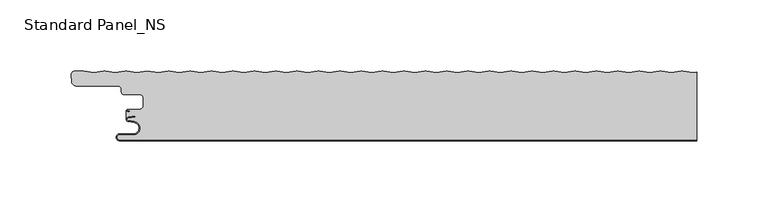
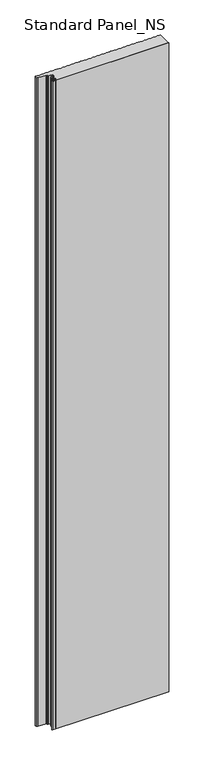
"""IFC4 building model written with IfcOpenShell, lengths in millimetres: proxy geometry, Standard Panel_NS."""

from ifc_helpers import new_model, si_unit, point, frame, frame_2d, origin, origin_with_axes, place, context, project, spatial, polyline, circle_curve, trimmed, segment, composite_curve, outline, extrude, source, transform, mapped, element, save
from ifc_brep_helpers import plane_surface, cylinder_surface, revolved_surface, advanced_brep


def standard_panel_ns_0bc52627(model_context):
    return source(origin(), model_context, "Body", "SolidModel", [
        advanced_brep(
        [(200.9757266, 48.2307297, 2400.0), (193.9420689, 49.1685508, 2400.0), (192.9889019, 49.1685508, 2400.0), (185.9552442, 48.2307297, 2400.0), (178.9215864, 49.1685508, 2400.0), (177.9684195, 49.1685508, 2400.0), (170.9347618, 48.2307297, 2400.0), (163.901104, 49.1685508, 2400.0), (162.9479371, 49.1685508, 2400.0), (155.9142793, 48.2307297, 2400.0), (148.8806215, 49.1685508, 2400.0), (147.9274546, 49.1685508, 2400.0), (140.8937969, 48.2307297, 2400.0), (133.8601391, 49.1685508, 2400.0), (132.9069722, 49.1685508, 2400.0), (125.8733144, 48.2307297, 2400.0), (118.8396566, 49.1685508, 2400.0), (117.8864897, 49.1685508, 2400.0), (110.852832, 48.2307297, 2400.0), (103.8191742, 49.1685508, 2400.0), (102.8660073, 49.1685508, 2400.0), (95.8323495, 48.2307297, 2400.0), (88.7986918, 49.1685508, 2400.0), (87.8455248, 49.1685508, 2400.0), (80.8118671, 48.2307297, 2400.0), (73.7782093, 49.1685508, 2400.0), (72.8250424, 49.1685508, 2400.0), (65.7913846, 48.2307297, 2400.0), (58.7577269, 49.1685508, 2400.0), (57.80456, 49.1685508, 2400.0), (50.7709022, 48.2307297, 2400.0), (43.7372444, 49.1685508, 2400.0), (42.7840775, 49.1685508, 2400.0), (35.7504198, 48.2307297, 2400.0), (28.716762, 49.1685508, 2400.0), (27.7635951, 49.1685508, 2400.0), (20.7299373, 48.2307297, 2400.0), (13.6962795, 49.1685508, 2400.0), (12.7431126, 49.1685508, 2400.0), (5.7094549, 48.2307297, 2400.0), (-1.3242029, 49.1685508, 2400.0), (-2.2773698, 49.1685508, 2400.0), (-9.3110276, 48.2307297, 2400.0), (-16.3446854, 49.1685508, 2400.0), (-17.2978523, 49.1685508, 2400.0), (-24.33151, 48.2307297, 2400.0), (-31.3651678, 49.1685508, 2400.0), (-32.3183347, 49.1685508, 2400.0), (-39.3519925, 48.2307297, 2400.0), (-46.3856502, 49.1685508, 2400.0), (-47.3388172, 49.1685508, 2400.0), (-54.3724749, 48.2307297, 2400.0), (-61.4061327, 49.1685508, 2400.0), (-62.3592996, 49.1685508, 2400.0), (-69.3929573, 48.2307297, 2400.0), (-76.4266151, 49.1685508, 2400.0), (-77.379782, 49.1685508, 2400.0), (-84.4134398, 48.2307297, 2400.0), (-91.4470976, 49.1685508, 2400.0), (-92.4002645, 49.1685508, 2400.0), (-99.4339222, 48.2307297, 2400.0), (-106.46758, 49.1685508, 2400.0), (-107.4207469, 49.1685508, 2400.0), (-114.4544047, 48.2307297, 2400.0), (-121.4880625, 49.1685508, 2400.0), (-122.4412294, 49.1685508, 2400.0), (-129.4748871, 48.2307297, 2400.0), (-136.5085449, 49.1685508, 2400.0), (-137.4617118, 49.1685508, 2400.0), (-144.4953696, 48.2307297, 2400.0), (-151.5290274, 49.1685508, 2400.0), (-152.4821943, 49.1685508, 2400.0), (-159.515852, 48.2307297, 2400.0), (-166.5495098, 49.1685508, 2400.0), (-167.5026767, 49.1685508, 2400.0), (-174.5363345, 48.2307297, 2400.0), (-182.0465757, 49.2320952, 2400.0), (-189.5568169, 48.2307297, 2400.0), (-196.5904747, 49.1685508, 2400.0), (-197.5436416, 49.1685508, 2400.0), (-204.5772994, 48.2307297, 2400.0), (-211.6109571, 49.1685508, 2400.0), (-212.564124, 49.1685508, 2400.0), (-219.5977818, 48.2307297, 2400.0), (-226.8685673, 49.2001678, 2400.0), (-232.8591806, 49.2001678, 2400.0), (-235.6090836, 46.199151, 2400.0), (-235.1937635, 41.4524611, 2400.0), (-232.3045986, 38.8050506, 2400.0), (-202.67533, 38.8050506, 2400.0), (-200.2755261, 36.4052467, 2400.0), (-200.2755261, 34.4052467, 2400.0), (-198.67533, 32.8050506, 2400.0), (-188.0058392, 32.8050506, 2400.0), (-184.8560353, 29.6552467, 2400.0), (-184.8560353, 25.2552452, 2400.0), (-188.0058392, 22.1054412, 2400.0), (-195.7650669, 22.1054413, 2400.0), (-195.7650669, 21.3050506, 2400.0), (-194.3950677, 21.3050506, 2400.0), (-194.3950677, 20.5050506, 2400.0), (-195.7650669, 20.5050506, 2400.0), (-196.9042057, 21.327315, 2400.0), (-196.9042607, 15.3042944, 2400.0), (-195.529422, 16.8616061, 2400.0), (-190.6052947, 17.5608112, 2400.0), (-190.4928263, 16.7687564, 2400.0), (-195.4169535, 16.0695512, 2400.0), (-195.4434036, 14.4896502, 2400.0), (-191.1186374, 13.7270772, 2400.0), (-191.9521486, 4.2, 2400.0), (-201.4521486, 4.2, 2400.0), (-201.4521486, 0.8, 2400.0), (203.9042607, 0.8, 2400.0), (203.9042607, 48.621201, 2400.0), (-196.9042057, 21.327315, 0.0), (-195.7650669, 20.5050506, 0.0), (-194.3950677, 20.5050506, 0.0), (-194.3950677, 21.3050506, 0.0), (-195.7650669, 21.3050506, 0.0), (-195.7650669, 22.1054413, 0.0), (-188.0058392, 22.1054413, 0.0), (-184.8560353, 25.2552452, 0.0), (-184.8560353, 29.6552467, 0.0), (-188.0058392, 32.8050506, 0.0), (-198.67533, 32.8050506, 0.0), (-200.2755261, 34.4052467, 0.0), (-200.2755261, 36.4052467, 0.0), (-202.67533, 38.8050506, 0.0), (-232.3045986, 38.8050506, 0.0), (-235.1937635, 41.4524611, 0.0), (-235.6090836, 46.199151, 0.0), (-232.8591806, 49.2001678, 0.0), (-226.8685673, 49.2001678, 0.0), (-219.5977818, 48.2307297, 0.0), (-212.564124, 49.1685508, 0.0), (-211.6109571, 49.1685508, 0.0), (-204.5772994, 48.2307297, 0.0), (-197.5436416, 49.1685508, 0.0), (-196.5904747, 49.1685508, 0.0), (-189.5568169, 48.2307297, 0.0), (-182.0465757, 49.2320952, 0.0), (-174.5363345, 48.2307297, 0.0), (-167.5026767, 49.1685508, 0.0), (-166.5495098, 49.1685508, 0.0), (-159.515852, 48.2307297, 0.0), (-152.4821943, 49.1685508, 0.0), (-151.5290274, 49.1685508, 0.0), (-144.4953696, 48.2307297, 0.0), (-137.4617118, 49.1685508, 0.0), (-136.5085449, 49.1685508, 0.0), (-129.4748871, 48.2307297, 0.0), (-122.4412294, 49.1685508, 0.0), (-121.4880625, 49.1685508, 0.0), (-114.4544047, 48.2307297, 0.0), (-107.4207469, 49.1685508, 0.0), (-106.46758, 49.1685508, 0.0), (-99.4339222, 48.2307297, 0.0), (-92.4002645, 49.1685508, 0.0), (-91.4470976, 49.1685508, 0.0), (-84.4134398, 48.2307297, 0.0), (-77.379782, 49.1685508, 0.0), (-76.4266151, 49.1685508, 0.0), (-69.3929573, 48.2307297, 0.0), (-62.3592996, 49.1685508, 0.0), (-61.4061327, 49.1685508, 0.0), (-54.3724749, 48.2307297, 0.0), (-47.3388172, 49.1685508, 0.0), (-46.3856502, 49.1685508, 0.0), (-39.3519925, 48.2307297, 0.0), (-32.3183347, 49.1685508, 0.0), (-31.3651678, 49.1685508, 0.0), (-24.33151, 48.2307297, 0.0), (-17.2978523, 49.1685508, 0.0), (-16.3446854, 49.1685508, 0.0), (-9.3110276, 48.2307297, 0.0), (-2.2773698, 49.1685508, 0.0), (-1.3242029, 49.1685508, 0.0), (5.7094549, 48.2307297, 0.0), (12.7431126, 49.1685508, 0.0), (13.6962795, 49.1685508, 0.0), (20.7299373, 48.2307297, 0.0), (27.7635951, 49.1685508, 0.0), (28.716762, 49.1685508, 0.0), (35.7504198, 48.2307297, 0.0), (42.7840775, 49.1685508, 0.0), (43.7372444, 49.1685508, 0.0), (50.7709022, 48.2307297, 0.0), (57.80456, 49.1685508, 0.0), (58.7577269, 49.1685508, 0.0), (65.7913846, 48.2307297, 0.0), (72.8250424, 49.1685508, 0.0), (73.7782093, 49.1685508, 0.0), (80.8118671, 48.2307297, 0.0), (87.8455248, 49.1685508, 0.0), (88.7986918, 49.1685508, 0.0), (95.8323495, 48.2307297, 0.0), (102.8660073, 49.1685508, 0.0), (103.8191742, 49.1685508, 0.0), (110.852832, 48.2307297, 0.0), (117.8864897, 49.1685508, 0.0), (118.8396566, 49.1685508, 0.0), (125.8733144, 48.2307297, 0.0), (132.9069722, 49.1685508, 0.0), (133.8601391, 49.1685508, 0.0), (140.8937969, 48.2307297, 0.0), (147.9274546, 49.1685508, 0.0), (148.8806215, 49.1685508, 0.0), (155.9142793, 48.2307297, 0.0), (162.9479371, 49.1685508, 0.0), (163.901104, 49.1685508, 0.0), (170.9347618, 48.2307297, 0.0), (177.9684195, 49.1685508, 0.0), (178.9215864, 49.1685508, 0.0), (185.9552442, 48.2307297, 0.0), (192.9889019, 49.1685508, 0.0), (193.9420689, 49.1685508, 0.0), (200.9757266, 48.2307297, 0.0), (203.9042607, 48.621201, 0.0), (203.9042607, 0.8, 0.0), (-201.4521486, 0.8, 0.0), (-201.4521486, 4.2, 0.0), (-191.9521486, 4.2, 0.0), (-191.1186374, 13.7270772, 0.0), (-195.4434036, 14.4896502, 0.0), (-195.4169535, 16.0695512, 0.0), (-190.4928263, 16.7687564, 0.0), (-190.6052947, 17.5608112, 0.0), (-195.529422, 16.8616061, 0.0), (-196.9042607, 15.3042944, 0.0)],
        [
            (0, 1),
            (1, 2, circle_curve(frame((193.4654854, 45.5941749, 2400.0), z_axis=(0.0, 0.0, 1.0), x_axis=(-0.1321637206908363, 0.991227900602659, 0.0)), 3.6060082)),
            (2, 3),
            (3, 4),
            (4, 5, circle_curve(frame((178.445003, 45.5941749, 2400.0), z_axis=(0.0, 0.0, 1.0), x_axis=(-0.13216372067834242, 0.9912279006043248, 0.0)), 3.6060082)),
            (5, 6),
            (6, 7),
            (7, 8, circle_curve(frame((163.4245205, 45.5941749, 2400.0), z_axis=(0.0, 0.0, 1.0), x_axis=(-0.1321637206908359, 0.991227900602659, 0.0)), 3.6060082)),
            (8, 9),
            (9, 10),
            (10, 11, circle_curve(frame((148.4040381, 45.5941749, 2400.0), z_axis=(0.0, 0.0, 1.0), x_axis=(-0.1321637206909443, 0.9912279006026445, 0.0)), 3.6060082)),
            (11, 12),
            (12, 13),
            (13, 14, circle_curve(frame((133.3835556, 45.5941749, 2400.0), z_axis=(0.0, 0.0, 1.0), x_axis=(-0.13216372067834242, 0.9912279006043248, 0.0)), 3.6060082)),
            (14, 15),
            (15, 16),
            (16, 17, circle_curve(frame((118.3630732, 45.5941749, 2400.0), z_axis=(0.0, 0.0, 1.0), x_axis=(-0.13216372069094426, 0.9912279006026445, 0.0)), 3.6060082)),
            (17, 18),
            (18, 19),
            (19, 20, circle_curve(frame((103.3425907, 45.5941749, 2400.0), z_axis=(0.0, 0.0, 1.0), x_axis=(-0.1321637206908359, 0.991227900602659, 0.0)), 3.6060082)),
            (20, 21),
            (21, 22),
            (22, 23, circle_curve(frame((88.3221083, 45.5941749, 2400.0), z_axis=(0.0, 0.0, 1.0), x_axis=(-0.13216372067834242, 0.9912279006043248, 0.0)), 3.6060082)),
            (23, 24),
            (24, 25),
            (25, 26, circle_curve(frame((73.3016259, 45.5941749, 2400.0), z_axis=(0.0, 0.0, 1.0), x_axis=(-0.1321637206909443, 0.9912279006026445, 0.0)), 3.6060082)),
            (26, 27),
            (27, 28),
            (28, 29, circle_curve(frame((58.2811434, 45.5941749, 2400.0), z_axis=(0.0, 0.0, 1.0), x_axis=(-0.13216372067834242, 0.9912279006043249, 0.0)), 3.6060082)),
            (29, 30),
            (30, 31),
            (31, 32, circle_curve(frame((43.260661, 45.5941749, 2400.0), z_axis=(0.0, 0.0, 1.0), x_axis=(-0.1321637206909443, 0.9912279006026445, 0.0)), 3.6060082)),
            (32, 33),
            (33, 34),
            (34, 35, circle_curve(frame((28.2401785, 45.5941749, 2400.0), z_axis=(0.0, 0.0, 1.0), x_axis=(-0.13216372069083632, 0.991227900602659, 0.0)), 3.6060082)),
            (35, 36),
            (36, 37),
            (37, 38, circle_curve(frame((13.2196961, 45.5941749, 2400.0), z_axis=(0.0, 0.0, 1.0), x_axis=(-0.13216372067834242, 0.9912279006043248, 0.0)), 3.6060082)),
            (38, 39),
            (39, 40),
            (40, 41, circle_curve(frame((-1.8007864, 45.5941749, 2400.0), z_axis=(0.0, 0.0, 1.0), x_axis=(-0.13216372067834242, 0.9912279006043249, 0.0)), 3.6060082)),
            (41, 42),
            (42, 43),
            (43, 44, circle_curve(frame((-16.8212688, 45.5941749, 2400.0), z_axis=(0.0, 0.0, 1.0), x_axis=(-0.13216372067834242, 0.9912279006043249, 0.0)), 3.6060082)),
            (44, 45),
            (45, 46),
            (46, 47, circle_curve(frame((-31.8417513, 45.5941749, 2400.0), z_axis=(0.0, 0.0, 1.0), x_axis=(-0.13216372069083587, 0.991227900602659, 0.0)), 3.6060082)),
            (47, 48),
            (48, 49),
            (49, 50, circle_curve(frame((-46.8622337, 45.5941749, 2400.0), z_axis=(0.0, 0.0, 1.0), x_axis=(-0.13216372067834242, 0.9912279006043249, 0.0)), 3.6060082)),
            (50, 51),
            (51, 52),
            (52, 53, circle_curve(frame((-61.8827161, 45.5941749, 2400.0), z_axis=(0.0, 0.0, 1.0), x_axis=(-0.13216372067834242, 0.9912279006043248, 0.0)), 3.6060082)),
            (53, 54),
            (54, 55),
            (55, 56, circle_curve(frame((-76.9031986, 45.5941749, 2400.0), z_axis=(0.0, 0.0, 1.0), x_axis=(-0.13216372067834242, 0.9912279006043248, 0.0)), 3.6060082)),
            (56, 57),
            (57, 58),
            (58, 59, circle_curve(frame((-91.923681, 45.5941749, 2400.0), z_axis=(0.0, 0.0, 1.0), x_axis=(-0.1321637206909443, 0.9912279006026445, 0.0)), 3.6060082)),
            (59, 60),
            (60, 61),
            (61, 62, circle_curve(frame((-106.9441635, 45.5941749, 2400.0), z_axis=(0.0, 0.0, 1.0), x_axis=(-0.13216372069083587, 0.991227900602659, 0.0)), 3.6060082)),
            (62, 63),
            (63, 64),
            (64, 65, circle_curve(frame((-121.9646459, 45.5941749, 2400.0), z_axis=(0.0, 0.0, 1.0), x_axis=(-0.13216372067834242, 0.9912279006043248, 0.0)), 3.6060082)),
            (65, 66),
            (66, 67),
            (67, 68, circle_curve(frame((-136.9851284, 45.5941749, 2400.0), z_axis=(0.0, 0.0, 1.0), x_axis=(-0.13216372069083632, 0.991227900602659, 0.0)), 3.6060082)),
            (68, 69),
            (69, 70),
            (70, 71, circle_curve(frame((-152.0056108, 45.5941749, 2400.0), z_axis=(0.0, 0.0, 1.0), x_axis=(-0.13216372067834242, 0.9912279006043248, 0.0)), 3.6060082)),
            (71, 72),
            (72, 73),
            (73, 74, circle_curve(frame((-167.0260933, 45.5941749, 2400.0), z_axis=(0.0, 0.0, 1.0), x_axis=(-0.13216372069094426, 0.9912279006026445, 0.0)), 3.6060082)),
            (74, 75),
            (75, 76),
            (76, 77),
            (77, 78),
            (78, 79, circle_curve(frame((-197.0670581, 45.5941749, 2400.0), z_axis=(0.0, 0.0, 1.0), x_axis=(-0.13216372008395674, 0.9912279006835761, 0.0)), 3.6060082)),
            (79, 80),
            (80, 81),
            (81, 82, circle_curve(frame((-212.0875406, 45.5941749, 2400.0), z_axis=(0.0, 0.0, 1.0), x_axis=(-0.1321637200962343, 0.9912279006819392, 0.0)), 3.6060082)),
            (82, 83),
            (83, 84),
            (84, 85),
            (85, 86, circle_curve(frame((-232.8591806, 46.4397587, 2400.0), z_axis=(0.0, 0.0, 1.0), x_axis=(-0.9961854900933174, -0.08726092669423802, 0.0)), 2.7604092)),
            (86, 87),
            (87, 88, circle_curve(frame((-232.3045986, 41.7052538, 2400.0), z_axis=(0.0, 0.0, 1.0), x_axis=(-5.9816804069483736e-05, -0.9999999982109751, 0.0)), 2.9002032)),
            (88, 89),
            (89, 90, circle_curve(frame((-202.67533, 36.4052467, 2400.0), z_axis=(0.0, 0.0, -1.0), x_axis=(0.9999999926057013, 0.00012160837719944603, 0.0)), 2.3998039)),
            (90, 91),
            (91, 92, circle_curve(frame((-198.67533, 34.4052467, 2400.0), z_axis=(0.0, 0.0, 1.0), x_axis=(-8.105569453527465e-05, -0.9999999967149873, 0.0)), 1.6001961)),
            (92, 93),
            (93, 94, circle_curve(frame((-188.0058392, 29.6552467, 2400.0), z_axis=(0.0, 0.0, -1.0), x_axis=(0.9999999965725804, 8.27939563282879e-05, 0.0)), 3.1498039)),
            (94, 95),
            (95, 96, circle_curve(frame((-188.0058392, 25.2552452, 2400.0), z_axis=(0.0, 0.0, -1.0), x_axis=(-8.279395323838365e-05, -0.9999999965725807, 0.0)), 3.1498039)),
            (96, 97),
            (97, 98, circle_curve(frame((-195.7650669, 21.7052459, 2400.0), z_axis=(0.0, 0.0, 1.0), x_axis=(0.0, -1.0, 0.0)), 0.4001953)),
            (98, 99),
            (99, 100),
            (100, 101),
            (101, 102, circle_curve(frame((-195.7650669, 21.7052459, 2400.0), z_axis=(0.0, 0.0, -1.0), x_axis=(0.0, -1.0, 0.0)), 1.2001953)),
            (102, 103),
            (103, 104, circle_curve(frame((-195.3044851, 15.2774964, 2400.0), z_axis=(0.0, 0.0, -1.0), x_axis=(-0.17364817766971952, -0.9848077530117163, 0.0)), 1.6)),
            (104, 105),
            (105, 106),
            (106, 107),
            (107, 108, circle_curve(frame((-195.3044851, 15.2774964, 2400.0), z_axis=(0.0, 0.0, 1.0), x_axis=(-0.17364817766971952, -0.9848077530117163, 0.0)), 0.8)),
            (108, 109),
            (109, 110, circle_curve(frame((-191.9521486, 9.0, 2400.0), z_axis=(0.0, 0.0, -1.0), x_axis=(1.863723325530669e-12, -1.0, 0.0)), 4.8)),
            (110, 111),
            (111, 112, circle_curve(frame((-201.4521486, 2.5, 2400.0), z_axis=(0.0, 0.0, 1.0), x_axis=(2.9071553329994335e-12, -1.0, 0.0)), 1.7)),
            (112, 113),
            (113, 114),
            (114, 0),
            (115, 116, circle_curve(frame((-195.7650669, 21.7052459, 0.0), z_axis=(0.0, 0.0, 1.0), x_axis=(0.0, -1.0, 0.0)), 1.2001953)),
            (116, 117),
            (117, 118),
            (118, 119),
            (119, 120, circle_curve(frame((-195.7650669, 21.7052459, 0.0), z_axis=(0.0, 0.0, -1.0), x_axis=(0.0, -1.0, 0.0)), 0.4001953)),
            (120, 121),
            (121, 122, circle_curve(frame((-188.0058392, 25.2552452, 0.0), z_axis=(0.0, 0.0, 1.0), x_axis=(-8.279395323838365e-05, -0.9999999965725807, 0.0)), 3.1498039)),
            (122, 123),
            (123, 124, circle_curve(frame((-188.0058392, 29.6552467, 0.0), z_axis=(0.0, 0.0, 1.0), x_axis=(0.9999999965725804, 8.27939563282879e-05, 0.0)), 3.1498039)),
            (124, 125),
            (125, 126, circle_curve(frame((-198.67533, 34.4052467, 0.0), z_axis=(0.0, 0.0, -1.0), x_axis=(-8.105569453527465e-05, -0.9999999967149873, 0.0)), 1.6001961)),
            (126, 127),
            (127, 128, circle_curve(frame((-202.67533, 36.4052467, 0.0), z_axis=(0.0, 0.0, 1.0), x_axis=(0.9999999926057013, 0.00012160837719944603, 0.0)), 2.3998039)),
            (128, 129),
            (129, 130, circle_curve(frame((-232.3045986, 41.7052538, 0.0), z_axis=(0.0, 0.0, -1.0), x_axis=(-5.9816804069483736e-05, -0.9999999982109751, 0.0)), 2.9002032)),
            (130, 131),
            (131, 132, circle_curve(frame((-232.8591806, 46.4397587, 0.0), z_axis=(0.0, 0.0, -1.0), x_axis=(-0.9961854900933174, -0.08726092669423802, 0.0)), 2.7604092)),
            (132, 133),
            (133, 134),
            (134, 135),
            (135, 136, circle_curve(frame((-212.0875406, 45.5941749, 0.0), z_axis=(0.0, 0.0, -1.0), x_axis=(-0.1321637200962343, 0.9912279006819392, 0.0)), 3.6060082)),
            (136, 137),
            (137, 138),
            (138, 139, circle_curve(frame((-197.0670581, 45.5941749, 0.0), z_axis=(0.0, 0.0, -1.0), x_axis=(-0.13216372008395674, 0.9912279006835761, 0.0)), 3.6060082)),
            (139, 140),
            (140, 141),
            (141, 142),
            (142, 143),
            (143, 144, circle_curve(frame((-167.0260933, 45.5941749, 0.0), z_axis=(0.0, 0.0, -1.0), x_axis=(-0.13216372069094426, 0.9912279006026445, 0.0)), 3.6060082)),
            (144, 145),
            (145, 146),
            (146, 147, circle_curve(frame((-152.0056108, 45.5941749, 0.0), z_axis=(0.0, 0.0, -1.0), x_axis=(-0.13216372067834242, 0.9912279006043248, 0.0)), 3.6060082)),
            (147, 148),
            (148, 149),
            (149, 150, circle_curve(frame((-136.9851284, 45.5941749, 0.0), z_axis=(0.0, 0.0, -1.0), x_axis=(-0.13216372069083632, 0.991227900602659, 0.0)), 3.6060082)),
            (150, 151),
            (151, 152),
            (152, 153, circle_curve(frame((-121.9646459, 45.5941749, 0.0), z_axis=(0.0, 0.0, -1.0), x_axis=(-0.13216372067834242, 0.9912279006043248, 0.0)), 3.6060082)),
            (153, 154),
            (154, 155),
            (155, 156, circle_curve(frame((-106.9441635, 45.5941749, 0.0), z_axis=(0.0, 0.0, -1.0), x_axis=(-0.13216372069083587, 0.991227900602659, 0.0)), 3.6060082)),
            (156, 157),
            (157, 158),
            (158, 159, circle_curve(frame((-91.923681, 45.5941749, 0.0), z_axis=(0.0, 0.0, -1.0), x_axis=(-0.1321637206909443, 0.9912279006026445, 0.0)), 3.6060082)),
            (159, 160),
            (160, 161),
            (161, 162, circle_curve(frame((-76.9031986, 45.5941749, 0.0), z_axis=(0.0, 0.0, -1.0), x_axis=(-0.13216372067834242, 0.9912279006043248, 0.0)), 3.6060082)),
            (162, 163),
            (163, 164),
            (164, 165, circle_curve(frame((-61.8827161, 45.5941749, 0.0), z_axis=(0.0, 0.0, -1.0), x_axis=(-0.13216372067834242, 0.9912279006043248, 0.0)), 3.6060082)),
            (165, 166),
            (166, 167),
            (167, 168, circle_curve(frame((-46.8622337, 45.5941749, 0.0), z_axis=(0.0, 0.0, -1.0), x_axis=(-0.13216372067834242, 0.9912279006043249, 0.0)), 3.6060082)),
            (168, 169),
            (169, 170),
            (170, 171, circle_curve(frame((-31.8417513, 45.5941749, 0.0), z_axis=(0.0, 0.0, -1.0), x_axis=(-0.13216372069083587, 0.991227900602659, 0.0)), 3.6060082)),
            (171, 172),
            (172, 173),
            (173, 174, circle_curve(frame((-16.8212688, 45.5941749, 0.0), z_axis=(0.0, 0.0, -1.0), x_axis=(-0.13216372067834242, 0.9912279006043249, 0.0)), 3.6060082)),
            (174, 175),
            (175, 176),
            (176, 177, circle_curve(frame((-1.8007864, 45.5941749, 0.0), z_axis=(0.0, 0.0, -1.0), x_axis=(-0.13216372067834242, 0.9912279006043249, 0.0)), 3.6060082)),
            (177, 178),
            (178, 179),
            (179, 180, circle_curve(frame((13.2196961, 45.5941749, 0.0), z_axis=(0.0, 0.0, -1.0), x_axis=(-0.13216372067834242, 0.9912279006043248, 0.0)), 3.6060082)),
            (180, 181),
            (181, 182),
            (182, 183, circle_curve(frame((28.2401785, 45.5941749, 0.0), z_axis=(0.0, 0.0, -1.0), x_axis=(-0.13216372069083632, 0.991227900602659, 0.0)), 3.6060082)),
            (183, 184),
            (184, 185),
            (185, 186, circle_curve(frame((43.260661, 45.5941749, 0.0), z_axis=(0.0, 0.0, -1.0), x_axis=(-0.1321637206909443, 0.9912279006026445, 0.0)), 3.6060082)),
            (186, 187),
            (187, 188),
            (188, 189, circle_curve(frame((58.2811434, 45.5941749, 0.0), z_axis=(0.0, 0.0, -1.0), x_axis=(-0.13216372067834242, 0.9912279006043249, 0.0)), 3.6060082)),
            (189, 190),
            (190, 191),
            (191, 192, circle_curve(frame((73.3016259, 45.5941749, 0.0), z_axis=(0.0, 0.0, -1.0), x_axis=(-0.1321637206909443, 0.9912279006026445, 0.0)), 3.6060082)),
            (192, 193),
            (193, 194),
            (194, 195, circle_curve(frame((88.3221083, 45.5941749, 0.0), z_axis=(0.0, 0.0, -1.0), x_axis=(-0.13216372067834242, 0.9912279006043248, 0.0)), 3.6060082)),
            (195, 196),
            (196, 197),
            (197, 198, circle_curve(frame((103.3425907, 45.5941749, 0.0), z_axis=(0.0, 0.0, -1.0), x_axis=(-0.1321637206908359, 0.991227900602659, 0.0)), 3.6060082)),
            (198, 199),
            (199, 200),
            (200, 201, circle_curve(frame((118.3630732, 45.5941749, 0.0), z_axis=(0.0, 0.0, -1.0), x_axis=(-0.13216372069094426, 0.9912279006026445, 0.0)), 3.6060082)),
            (201, 202),
            (202, 203),
            (203, 204, circle_curve(frame((133.3835556, 45.5941749, 0.0), z_axis=(0.0, 0.0, -1.0), x_axis=(-0.13216372067834242, 0.9912279006043248, 0.0)), 3.6060082)),
            (204, 205),
            (205, 206),
            (206, 207, circle_curve(frame((148.4040381, 45.5941749, 0.0), z_axis=(0.0, 0.0, -1.0), x_axis=(-0.1321637206909443, 0.9912279006026445, 0.0)), 3.6060082)),
            (207, 208),
            (208, 209),
            (209, 210, circle_curve(frame((163.4245205, 45.5941749, 0.0), z_axis=(0.0, 0.0, -1.0), x_axis=(-0.1321637206908359, 0.991227900602659, 0.0)), 3.6060082)),
            (210, 211),
            (211, 212),
            (212, 213, circle_curve(frame((178.445003, 45.5941749, 0.0), z_axis=(0.0, 0.0, -1.0), x_axis=(-0.13216372067834242, 0.9912279006043248, 0.0)), 3.6060082)),
            (213, 214),
            (214, 215),
            (215, 216, circle_curve(frame((193.4654854, 45.5941749, 0.0), z_axis=(0.0, 0.0, -1.0), x_axis=(-0.1321637206908363, 0.991227900602659, 0.0)), 3.6060082)),
            (216, 217),
            (217, 218),
            (218, 219),
            (219, 220),
            (220, 221, circle_curve(frame((-201.4521486, 2.5, 0.0), z_axis=(0.0, 0.0, -1.0), x_axis=(2.9071553329994335e-12, -1.0, 0.0)), 1.7)),
            (221, 222),
            (222, 223, circle_curve(frame((-191.9521486, 9.0, 0.0), z_axis=(0.0, 0.0, 1.0), x_axis=(1.863723325530669e-12, -1.0, 0.0)), 4.8)),
            (223, 224),
            (224, 225, circle_curve(frame((-195.3044851, 15.2774964, 0.0), z_axis=(0.0, 0.0, -1.0), x_axis=(-0.17364817766971952, -0.9848077530117163, 0.0)), 0.8)),
            (225, 226),
            (226, 227),
            (227, 228),
            (228, 229, circle_curve(frame((-195.3044851, 15.2774964, 0.0), z_axis=(0.0, 0.0, 1.0), x_axis=(-0.17364817766971952, -0.9848077530117163, 0.0)), 1.6)),
            (229, 115),
            (83, 134),
            (133, 84),
            (86, 131),
            (130, 87),
            (89, 128),
            (127, 90),
            (126, 91),
            (93, 124),
            (123, 94),
            (122, 95),
            (121, 96),
            (97, 120),
            (119, 98),
            (118, 99),
            (117, 100),
            (103, 229),
            (228, 104),
            (227, 105),
            (226, 106),
            (225, 107),
            (224, 108),
            (223, 109),
            (222, 110),
            (221, 111),
            (220, 112),
            (219, 113),
            (218, 114),
            (4, 213),
            (212, 5),
            (3, 214),
            (2, 215),
            (1, 216),
            (217, 0),
            (211, 6),
            (102, 115),
            (210, 7),
            (209, 8),
            (208, 9),
            (207, 10),
            (206, 11),
            (205, 12),
            (204, 13),
            (203, 14),
            (202, 15),
            (201, 16),
            (200, 17),
            (199, 18),
            (198, 19),
            (197, 20),
            (196, 21),
            (195, 22),
            (194, 23),
            (193, 24),
            (192, 25),
            (191, 26),
            (190, 27),
            (189, 28),
            (188, 29),
            (187, 30),
            (186, 31),
            (185, 32),
            (184, 33),
            (183, 34),
            (182, 35),
            (181, 36),
            (180, 37),
            (179, 38),
            (178, 39),
            (177, 40),
            (176, 41),
            (175, 42),
            (174, 43),
            (173, 44),
            (172, 45),
            (171, 46),
            (170, 47),
            (169, 48),
            (168, 49),
            (167, 50),
            (166, 51),
            (165, 52),
            (164, 53),
            (163, 54),
            (162, 55),
            (161, 56),
            (160, 57),
            (159, 58),
            (158, 59),
            (157, 60),
            (156, 61),
            (155, 62),
            (154, 63),
            (153, 64),
            (152, 65),
            (151, 66),
            (150, 67),
            (149, 68),
            (148, 69),
            (147, 70),
            (146, 71),
            (145, 72),
            (144, 73),
            (143, 74),
            (142, 75),
            (141, 76),
            (140, 77),
            (139, 78),
            (138, 79),
            (137, 80),
            (136, 81),
            (135, 82),
            (132, 85),
            (129, 88),
            (125, 92),
            (116, 101),
        ],
        [
            plane_surface(frame((316.0957393, 49.2, 2400.0), z_axis=(0.0, 0.0, 1.0), x_axis=(0.0, 1.0, 0.0))),
            plane_surface(frame((316.0957393, 49.2, 0.0), z_axis=(0.0, 0.0, -1.0), x_axis=(0.0, 1.0, 0.0))),
            plane_surface(frame((-219.5977818, 48.2307297, 2400.0), z_axis=(0.13216372070690546, 0.9912279006005164, 0.0), x_axis=(0.0, 0.0, -1.0))),
            plane_surface(frame((-235.6090836, 46.199151, 2400.0), z_axis=(-0.9961939956053468, -0.08716377183127401, 0.0), x_axis=(0.0, 0.0, -1.0))),
            revolved_surface(polyline([(-200.27552611774487, 36.40553853625787, 0.0), (-200.27552611774487, 36.40553853625787, 2400.0)]), (-202.67533, 36.4052467, 2400.0), (0.0, 0.0, -1.0)),
            plane_surface(frame((-200.2755261, 36.4052467, 2400.0), z_axis=(-1.0, 0.0, 0.0), x_axis=(0.0, 0.0, -1.0))),
            revolved_surface(polyline([(-184.8560353107957, 29.655507484726538, 0.0), (-184.8560353107957, 29.655507484726538, 2400.0)]), (-188.0058392, 29.6552467, 2400.0), (0.0, 0.0, -1.0)),
            plane_surface(frame((-184.8560353, 29.6552467, 2400.0), z_axis=(-1.0, 0.0, 0.0), x_axis=(0.0, 0.0, -1.0))),
            revolved_surface(polyline([(-188.0060999847168, 22.1054413107957, 0.0), (-188.0060999847168, 22.1054413107957, 2400.0)]), (-188.0058392, 25.2552452, 2400.0), (0.0, 0.0, -1.0)),
            cylinder_surface(frame((-195.7650669, 21.7052459, 2400.0), z_axis=(0.0, 0.0, 1.0), x_axis=(0.0, -1.0, 0.0)), 0.4001953),
            plane_surface(frame((-195.7650669, 21.3050506, 2400.0), z_axis=(0.0, -1.0, 0.0), x_axis=(0.0, 0.0, -1.0))),
            plane_surface(frame((-194.3950677, 21.3050506, 2400.0), z_axis=(-1.0, 0.0, 0.0), x_axis=(0.0, 0.0, -1.0))),
            revolved_surface(polyline([(-195.58232218427153, 13.701803995181255, -9.094947017729282e-13), (-195.58232218427153, 13.701803995181255, 2400.0)]), (-195.3044851, 15.2774964, 2400.0), (0.0, 0.0, -1.0000000000000002)),
            plane_surface(frame((-195.529422, 16.8616061, 2400.0), z_axis=(0.14058552792120363, -0.9900685376978287, 0.0), x_axis=(0.0, 0.0, -1.0))),
            plane_surface(frame((-190.6052947, 17.5608112, 2400.0), z_axis=(-0.9900685376978338, -0.14058552792116694, 0.0), x_axis=(0.0, 0.0, -1.0))),
            plane_surface(frame((-190.4928263, 16.7687564, 2400.0), z_axis=(-0.1405855279212039, 0.9900685376978285, 0.0), x_axis=(0.0, 0.0, -1.0))),
            cylinder_surface(frame((-195.3044851, 15.2774964, 2400.0), z_axis=(0.0, 0.0, 1.0000000000000002), x_axis=(-0.17364817766971952, -0.9848077530117163, 0.0)), 0.8),
            plane_surface(frame((-195.4434036, 14.4896502, 2400.0), z_axis=(-0.1736481776670618, -0.9848077530121849, 0.0), x_axis=(0.0, 0.0, -1.0))),
            revolved_surface(polyline([(-191.95214859999103, 4.2, 0.0), (-191.95214859999103, 4.2, 2400.0)]), (-191.9521486, 9.0, 2400.0), (0.0, 0.0, -1.0)),
            plane_surface(frame((-191.9521486, 4.2, 2400.0), z_axis=(0.0, 1.0, 0.0), x_axis=(0.0, 0.0, -1.0))),
            cylinder_surface(frame((-201.4521486, 2.5, 2400.0), z_axis=(0.0, 0.0, 1.0), x_axis=(2.9071553329994335e-12, -1.0, 0.0)), 1.7),
            plane_surface(frame((-201.4521486, 0.8, 2400.0), z_axis=(0.0, -1.0, 0.0), x_axis=(0.0, 0.0, -1.0))),
            plane_surface(frame((203.9042607, 52.0, 2400.0), z_axis=(1.0, 0.0, 0.0), x_axis=(0.0, 0.0, -1.0))),
            cylinder_surface(frame((178.445003, 45.5941749, 2400.0), z_axis=(0.0, 0.0, 1.0), x_axis=(-0.13216372067834242, 0.9912279006043248, 0.0)), 3.6060082),
            plane_surface(frame((185.9552442, 48.2307297, 2400.0), z_axis=(0.13216372006695326, 0.9912279006858433, 0.0), x_axis=(0.0, 0.0, -1.0))),
            plane_surface(frame((192.9889019, 49.1685508, 2400.0), z_axis=(-0.13216372070690166, 0.9912279006005169, 0.0), x_axis=(0.0, 0.0, -1.0))),
            cylinder_surface(frame((193.4654854, 45.5941749, 2400.0), z_axis=(0.0, 0.0, 1.0000000000000002), x_axis=(-0.1321637206908363, 0.991227900602659, 0.0)), 3.6060082),
            plane_surface(frame((208.0093844, 49.1685508, 2400.0), z_axis=(-0.1321637207089453, 0.9912279006002443, 0.0), x_axis=(0.0, 0.0, -1.0))),
            plane_surface(frame((200.9757266, 48.2307297, 2400.0), z_axis=(0.1321637200687261, 0.991227900685607, 0.0), x_axis=(0.0, 0.0, -1.0))),
            plane_surface(frame((177.9684195, 49.1685508, 2400.0), z_axis=(-0.13216372070690136, 0.9912279006005169, 0.0), x_axis=(0.0, 0.0, -1.0))),
            plane_surface(frame((-196.9042057, 21.327315, 2400.0), z_axis=(-1.0, 0.0, 0.0), x_axis=(0.0, 0.0, -1.0))),
            plane_surface(frame((170.9347618, 48.2307297, 2400.0), z_axis=(0.13216372006613503, 0.9912279006859525, 0.0), x_axis=(0.0, 0.0, -1.0))),
            cylinder_surface(frame((163.4245205, 45.5941749, 2400.0), z_axis=(0.0, 0.0, 1.0), x_axis=(-0.1321637206908359, 0.991227900602659, 0.0)), 3.6060082),
            plane_surface(frame((162.9479371, 49.1685508, 2400.0), z_axis=(-0.1321637207063546, 0.9912279006005899, 0.0), x_axis=(0.0, 0.0, -1.0))),
            plane_surface(frame((155.9142793, 48.2307297, 2400.0), z_axis=(0.13216372006695185, 0.9912279006858435, 0.0), x_axis=(0.0, 0.0, -1.0))),
            cylinder_surface(frame((148.4040381, 45.5941749, 2400.0), z_axis=(0.0, 0.0, 1.0000000000000002), x_axis=(-0.1321637206909443, 0.9912279006026445, 0.0)), 3.6060082),
            plane_surface(frame((147.9274546, 49.1685508, 2400.0), z_axis=(-0.1321637207063565, 0.9912279006005896, 0.0), x_axis=(0.0, 0.0, -1.0))),
            plane_surface(frame((140.8937969, 48.2307297, 2400.0), z_axis=(0.13216372006749733, 0.9912279006857708, 0.0), x_axis=(0.0, 0.0, -1.0))),
            cylinder_surface(frame((133.3835556, 45.5941749, 2400.0), z_axis=(0.0, 0.0, 1.0), x_axis=(-0.13216372067834242, 0.9912279006043248, 0.0)), 3.6060082),
            plane_surface(frame((132.9069722, 49.1685508, 2400.0), z_axis=(-0.13216372070894564, 0.9912279006002443, 0.0), x_axis=(0.0, 0.0, -1.0))),
            plane_surface(frame((125.8733144, 48.2307297, 2400.0), z_axis=(0.13216372006845428, 0.9912279006856431, 0.0), x_axis=(0.0, 0.0, -1.0))),
            cylinder_surface(frame((118.3630732, 45.5941749, 2400.0), z_axis=(0.0, 0.0, 1.0000000000000002), x_axis=(-0.13216372069094426, 0.9912279006026445, 0.0)), 3.6060082),
            plane_surface(frame((117.8864897, 49.1685508, 2400.0), z_axis=(-0.1321637207063565, 0.9912279006005896, 0.0), x_axis=(0.0, 0.0, -1.0))),
            plane_surface(frame((110.852832, 48.2307297, 2400.0), z_axis=(0.13216372006668003, 0.9912279006858797, 0.0), x_axis=(0.0, 0.0, -1.0))),
            cylinder_surface(frame((103.3425907, 45.5941749, 2400.0), z_axis=(0.0, 0.0, 1.0), x_axis=(-0.1321637206908359, 0.991227900602659, 0.0)), 3.6060082),
            plane_surface(frame((102.8660073, 49.1685508, 2400.0), z_axis=(-0.1321637207063546, 0.9912279006005899, 0.0), x_axis=(0.0, 0.0, -1.0))),
            plane_surface(frame((95.8323495, 48.2307297, 2400.0), z_axis=(0.132163720066952, 0.9912279006858435, 0.0), x_axis=(0.0, 0.0, -1.0))),
            cylinder_surface(frame((88.3221083, 45.5941749, 2400.0), z_axis=(0.0, 0.0, 1.0), x_axis=(-0.13216372067834242, 0.9912279006043248, 0.0)), 3.6060082),
            plane_surface(frame((87.8455248, 49.1685508, 2400.0), z_axis=(-0.1321637207068996, 0.9912279006005172, 0.0), x_axis=(0.0, 0.0, -1.0))),
            plane_surface(frame((80.8118671, 48.2307297, 2400.0), z_axis=(0.13216372006640953, 0.9912279006859158, 0.0), x_axis=(0.0, 0.0, -1.0))),
            cylinder_surface(frame((73.3016259, 45.5941749, 2400.0), z_axis=(0.0, 0.0, 1.0000000000000002), x_axis=(-0.1321637206909443, 0.9912279006026445, 0.0)), 3.6060082),
            plane_surface(frame((72.8250424, 49.1685508, 2400.0), z_axis=(-0.13216372070744717, 0.9912279006004442, 0.0), x_axis=(0.0, 0.0, -1.0))),
            plane_surface(frame((65.7913846, 48.2307297, 2400.0), z_axis=(0.1321637200664073, 0.9912279006859162, 0.0), x_axis=(0.0, 0.0, -1.0))),
            cylinder_surface(frame((58.2811434, 45.5941749, 2400.0), z_axis=(0.0, 0.0, 1.0000000000000002), x_axis=(-0.13216372067834242, 0.9912279006043249, 0.0)), 3.6060082),
            plane_surface(frame((57.80456, 49.1685508, 2400.0), z_axis=(-0.1321637207082644, 0.9912279006003352, 0.0), x_axis=(0.0, 0.0, -1.0))),
            plane_surface(frame((50.7709022, 48.2307297, 2400.0), z_axis=(0.13216372006899724, 0.9912279006855708, 0.0), x_axis=(0.0, 0.0, -1.0))),
            cylinder_surface(frame((43.260661, 45.5941749, 2400.0), z_axis=(0.0, 0.0, 1.0000000000000002), x_axis=(-0.1321637206909443, 0.9912279006026445, 0.0)), 3.6060082),
            plane_surface(frame((42.7840775, 49.1685508, 2400.0), z_axis=(-0.1321637207069012, 0.9912279006005169, 0.0), x_axis=(0.0, 0.0, -1.0))),
            plane_surface(frame((35.7504198, 48.2307297, 2400.0), z_axis=(0.13216372006695298, 0.9912279006858434, 0.0), x_axis=(0.0, 0.0, -1.0))),
            cylinder_surface(frame((28.2401785, 45.5941749, 2400.0), z_axis=(0.0, 0.0, 1.0000000000000002), x_axis=(-0.13216372069083632, 0.991227900602659, 0.0)), 3.6060082),
            plane_surface(frame((27.7635951, 49.1685508, 2400.0), z_axis=(-0.1321637207069012, 0.9912279006005169, 0.0), x_axis=(0.0, 0.0, -1.0))),
            plane_surface(frame((20.7299373, 48.2307297, 2400.0), z_axis=(0.13216372006695265, 0.9912279006858434, 0.0), x_axis=(0.0, 0.0, -1.0))),
            cylinder_surface(frame((13.2196961, 45.5941749, 2400.0), z_axis=(0.0, 0.0, 1.0), x_axis=(-0.13216372067834242, 0.9912279006043248, 0.0)), 3.6060082),
            plane_surface(frame((12.7431126, 49.1685508, 2400.0), z_axis=(-0.132163720706356, 0.9912279006005896, 0.0), x_axis=(0.0, 0.0, -1.0))),
            plane_surface(frame((5.7094549, 48.2307297, 2400.0), z_axis=(0.13216372006695326, 0.9912279006858433, 0.0), x_axis=(0.0, 0.0, -1.0))),
            cylinder_surface(frame((-1.8007864, 45.5941749, 2400.0), z_axis=(0.0, 0.0, 1.0000000000000002), x_axis=(-0.13216372067834242, 0.9912279006043249, 0.0)), 3.6060082),
            plane_surface(frame((-2.2773698, 49.1685508, 2400.0), z_axis=(-0.13216372070840093, 0.991227900600317, 0.0), x_axis=(0.0, 0.0, -1.0))),
            plane_surface(frame((-9.3110276, 48.2307297, 2400.0), z_axis=(0.1321637200674967, 0.9912279006857709, 0.0), x_axis=(0.0, 0.0, -1.0))),
            cylinder_surface(frame((-16.8212688, 45.5941749, 2400.0), z_axis=(0.0, 0.0, 1.0000000000000002), x_axis=(-0.13216372067834242, 0.9912279006043249, 0.0)), 3.6060082),
            plane_surface(frame((-17.2978523, 49.1685508, 2400.0), z_axis=(-0.13216372070840093, 0.991227900600317, 0.0), x_axis=(0.0, 0.0, -1.0))),
            plane_surface(frame((-24.33151, 48.2307297, 2400.0), z_axis=(0.13216372006954255, 0.991227900685498, 0.0), x_axis=(0.0, 0.0, -1.0))),
            cylinder_surface(frame((-31.8417513, 45.5941749, 2400.0), z_axis=(0.0, 0.0, 1.0), x_axis=(-0.13216372069083587, 0.991227900602659, 0.0)), 3.6060082),
            plane_surface(frame((-32.3183347, 49.1685508, 2400.0), z_axis=(-0.13216372070744586, 0.9912279006004443, 0.0), x_axis=(0.0, 0.0, -1.0))),
            plane_surface(frame((-39.3519925, 48.2307297, 2400.0), z_axis=(0.1321637200664073, 0.9912279006859162, 0.0), x_axis=(0.0, 0.0, -1.0))),
            cylinder_surface(frame((-46.8622337, 45.5941749, 2400.0), z_axis=(0.0, 0.0, 1.0000000000000002), x_axis=(-0.13216372067834242, 0.9912279006043249, 0.0)), 3.6060082),
            plane_surface(frame((-47.3388172, 49.1685508, 2400.0), z_axis=(-0.13216372070635665, 0.9912279006005896, 0.0), x_axis=(0.0, 0.0, -1.0))),
            plane_surface(frame((-54.3724749, 48.2307297, 2400.0), z_axis=(0.1321637200649066, 0.9912279006861162, 0.0), x_axis=(0.0, 0.0, -1.0))),
            cylinder_surface(frame((-61.8827161, 45.5941749, 2400.0), z_axis=(0.0, 0.0, 1.0), x_axis=(-0.13216372067834242, 0.9912279006043248, 0.0)), 3.6060082),
            plane_surface(frame((-62.3592996, 49.1685508, 2400.0), z_axis=(-0.13216372070690374, 0.9912279006005166, 0.0), x_axis=(0.0, 0.0, -1.0))),
            plane_surface(frame((-69.3929573, 48.2307297, 2400.0), z_axis=(0.13216372006695326, 0.9912279006858433, 0.0), x_axis=(0.0, 0.0, -1.0))),
            cylinder_surface(frame((-76.9031986, 45.5941749, 2400.0), z_axis=(0.0, 0.0, 1.0), x_axis=(-0.13216372067834242, 0.9912279006043248, 0.0)), 3.6060082),
            plane_surface(frame((-77.379782, 49.1685508, 2400.0), z_axis=(-0.13216372070839968, 0.9912279006003172, 0.0), x_axis=(0.0, 0.0, -1.0))),
            plane_surface(frame((-84.4134398, 48.2307297, 2400.0), z_axis=(0.1321637200689985, 0.9912279006855707, 0.0), x_axis=(0.0, 0.0, -1.0))),
            cylinder_surface(frame((-91.923681, 45.5941749, 2400.0), z_axis=(0.0, 0.0, 1.0000000000000002), x_axis=(-0.1321637206909443, 0.9912279006026445, 0.0)), 3.6060082),
            plane_surface(frame((-92.4002645, 49.1685508, 2400.0), z_axis=(-0.13216372070894594, 0.9912279006002443, 0.0), x_axis=(0.0, 0.0, -1.0))),
            plane_surface(frame((-99.4339222, 48.2307297, 2400.0), z_axis=(0.13216372006899896, 0.9912279006855705, 0.0), x_axis=(0.0, 0.0, -1.0))),
            cylinder_surface(frame((-106.9441635, 45.5941749, 2400.0), z_axis=(0.0, 0.0, 1.0), x_axis=(-0.13216372069083587, 0.991227900602659, 0.0)), 3.6060082),
            plane_surface(frame((-107.4207469, 49.1685508, 2400.0), z_axis=(-0.13216372070635285, 0.9912279006005901, 0.0), x_axis=(0.0, 0.0, -1.0))),
            plane_surface(frame((-114.4544047, 48.2307297, 2400.0), z_axis=(0.1321637200669509, 0.9912279006858437, 0.0), x_axis=(0.0, 0.0, -1.0))),
            cylinder_surface(frame((-121.9646459, 45.5941749, 2400.0), z_axis=(0.0, 0.0, 1.0), x_axis=(-0.13216372067834242, 0.9912279006043248, 0.0)), 3.6060082),
            plane_surface(frame((-122.4412294, 49.1685508, 2400.0), z_axis=(-0.13216372070635302, 0.9912279006005901, 0.0), x_axis=(0.0, 0.0, -1.0))),
            plane_surface(frame((-129.4748871, 48.2307297, 2400.0), z_axis=(0.1321637200674959, 0.9912279006857709, 0.0), x_axis=(0.0, 0.0, -1.0))),
            cylinder_surface(frame((-136.9851284, 45.5941749, 2400.0), z_axis=(0.0, 0.0, 1.0000000000000002), x_axis=(-0.13216372069083632, 0.991227900602659, 0.0)), 3.6060082),
            plane_surface(frame((-137.4617118, 49.1685508, 2400.0), z_axis=(-0.1321637207068988, 0.9912279006005172, 0.0), x_axis=(0.0, 0.0, -1.0))),
            plane_surface(frame((-144.4953696, 48.2307297, 2400.0), z_axis=(0.13216372006640492, 0.9912279006859165, 0.0), x_axis=(0.0, 0.0, -1.0))),
            cylinder_surface(frame((-152.0056108, 45.5941749, 2400.0), z_axis=(0.0, 0.0, 1.0), x_axis=(-0.13216372067834242, 0.9912279006043248, 0.0)), 3.6060082),
            plane_surface(frame((-152.4821943, 49.1685508, 2400.0), z_axis=(-0.13216372070894564, 0.9912279006002443, 0.0), x_axis=(0.0, 0.0, -1.0))),
            plane_surface(frame((-159.515852, 48.2307297, 2400.0), z_axis=(0.1321637200684489, 0.9912279006856439, 0.0), x_axis=(0.0, 0.0, -1.0))),
            cylinder_surface(frame((-167.0260933, 45.5941749, 2400.0), z_axis=(0.0, 0.0, 1.0000000000000002), x_axis=(-0.13216372069094426, 0.9912279006026445, 0.0)), 3.6060082),
            plane_surface(frame((-167.5026767, 49.1685508, 2400.0), z_axis=(-0.13216372070689816, 0.9912279006005174, 0.0), x_axis=(0.0, 0.0, -1.0))),
            plane_surface(frame((-174.5363345, 48.2307297, 2400.0), z_axis=(0.13216372006695146, 0.9912279006858435, 0.0), x_axis=(0.0, 0.0, -1.0))),
            plane_surface(frame((-182.0465757, 49.2320952, 2400.0), z_axis=(-0.13216372006694388, 0.9912279006858447, 0.0), x_axis=(0.0, 0.0, -1.0))),
            plane_surface(frame((-189.5568169, 48.2307297, 2400.0), z_axis=(0.13216372070690524, 0.9912279006005164, 0.0), x_axis=(0.0, 0.0, -1.0))),
            cylinder_surface(frame((-197.0670581, 45.5941749, 2400.0), z_axis=(0.0, 0.0, 1.0), x_axis=(-0.13216372008395674, 0.9912279006835761, 0.0)), 3.6060082),
            plane_surface(frame((-197.5436416, 49.1685508, 2400.0), z_axis=(-0.1321637200684442, 0.9912279006856446, 0.0), x_axis=(0.0, 0.0, -1.0))),
            plane_surface(frame((-204.5772994, 48.2307297, 2400.0), z_axis=(0.1321637207094944, 0.9912279006001712, 0.0), x_axis=(0.0, 0.0, -1.0))),
            cylinder_surface(frame((-212.0875406, 45.5941749, 2400.0), z_axis=(0.0, 0.0, 1.0), x_axis=(-0.1321637200962343, 0.9912279006819392, 0.0)), 3.6060082),
            plane_surface(frame((-212.564124, 49.1685508, 2400.0), z_axis=(-0.13216372006694319, 0.9912279006858448, 0.0), x_axis=(0.0, 0.0, -1.0))),
            plane_surface(frame((-226.8685673, 49.2001678, 2400.0), z_axis=(0.0, 1.0, 0.0), x_axis=(0.0, 0.0, -1.0))),
            cylinder_surface(frame((-232.8591806, 46.4397587, 2400.0), z_axis=(0.0, 0.0, 1.0000000000000002), x_axis=(-0.9961854900933174, -0.08726092669423802, 0.0)), 2.7604092),
            cylinder_surface(frame((-232.3045986, 41.7052538, 2400.0), z_axis=(0.0, 0.0, 1.0000000000000002), x_axis=(-5.9816804069483736e-05, -0.9999999982109751, 0.0)), 2.9002032),
            plane_surface(frame((-232.3045986, 38.8050506, 2400.0), z_axis=(0.0, -1.0, 0.0), x_axis=(0.0, 0.0, -1.0))),
            cylinder_surface(frame((-198.67533, 34.4052467, 2400.0), z_axis=(0.0, 0.0, 1.0000000000000002), x_axis=(-8.105569453527465e-05, -0.9999999967149873, 0.0)), 1.6001961),
            plane_surface(frame((-198.67533, 32.8050506, 2400.0), z_axis=(0.0, -1.0, 0.0), x_axis=(0.0, 0.0, -1.0))),
            plane_surface(frame((-188.0058392, 22.1054413, 2400.0), z_axis=(0.0, 1.0, 0.0), x_axis=(0.0, 0.0, -1.0))),
            plane_surface(frame((-194.3950677, 20.5050506, 2400.0), z_axis=(0.0, 1.0, 0.0), x_axis=(0.0, 0.0, -1.0))),
            revolved_surface(polyline([(-195.7650669, 20.5050506, 0.0), (-195.7650669, 20.5050506, 2400.0)]), (-195.7650669, 21.7052459, 2400.0), (0.0, 0.0, -1.0)),
        ],
        [
            (0, [[1, 2, 3, 4, 5, 6, 7, 8, 9, 10, 11, 12, 13, 14, 15, 16, 17, 18, 19, 20, 21, 22, 23, 24, 25, 26, 27, 28, 29, 30, 31, 32, 33, 34, 35, 36, 37, 38, 39, 40, 41, 42, 43, 44, 45, 46, 47, 48, 49, 50, 51, 52, 53, 54, 55, 56, 57, 58, 59, 60, 61, 62, 63, 64, 65, 66, 67, 68, 69, 70, 71, 72, 73, 74, 75, 76, 77, 78, 79, 80, 81, 82, 83, 84, 85, 86, 87, 88, 89, 90, 91, 92, 93, 94, 95, 96, 97, 98, 99, 100, 101, 102, 103, 104, 105, 106, 107, 108, 109, 110, 111, 112, 113, 114, 115]]),
            (1, [[116, 117, 118, 119, 120, 121, 122, 123, 124, 125, 126, 127, 128, 129, 130, 131, 132, 133, 134, 135, 136, 137, 138, 139, 140, 141, 142, 143, 144, 145, 146, 147, 148, 149, 150, 151, 152, 153, 154, 155, 156, 157, 158, 159, 160, 161, 162, 163, 164, 165, 166, 167, 168, 169, 170, 171, 172, 173, 174, 175, 176, 177, 178, 179, 180, 181, 182, 183, 184, 185, 186, 187, 188, 189, 190, 191, 192, 193, 194, 195, 196, 197, 198, 199, 200, 201, 202, 203, 204, 205, 206, 207, 208, 209, 210, 211, 212, 213, 214, 215, 216, 217, 218, 219, 220, 221, 222, 223, 224, 225, 226, 227, 228, 229, 230]]),
            (2, [[-84, 231, -134, 232]]),
            (3, [[-87, 233, -131, 234]]),
            (4, [[-90, 235, -128, 236]]),
            (5, [[-91, -236, -127, 237]]),
            (6, [[-94, 238, -124, 239]]),
            (7, [[-95, -239, -123, 240]]),
            (8, [[-96, -240, -122, 241]]),
            (9, [[-98, 242, -120, 243]]),
            (10, [[-99, -243, -119, 244]]),
            (11, [[-100, -244, -118, 245]]),
            (12, [[-104, 246, -229, 247]]),
            (13, [[-105, -247, -228, 248]]),
            (14, [[-106, -248, -227, 249]]),
            (15, [[-107, -249, -226, 250]]),
            (16, [[-108, -250, -225, 251]]),
            (17, [[-109, -251, -224, 252]]),
            (18, [[-110, -252, -223, 253]]),
            (19, [[-111, -253, -222, 254]]),
            (20, [[-112, -254, -221, 255]]),
            (21, [[-255, -220, 256, -113]]),
            (22, [[-114, -256, -219, 257]]),
            (23, [[-5, 258, -213, 259]]),
            (24, [[-4, 260, -214, -258]]),
            (25, [[-3, 261, -215, -260]]),
            (26, [[-2, 262, -216, -261]]),
            (27, [[263, -115, -257, -218]]),
            (28, [[-1, -263, -217, -262]]),
            (29, [[-6, -259, -212, 264]]),
            (30, [[265, -230, -246, -103]]),
            (31, [[-7, -264, -211, 266]]),
            (32, [[-8, -266, -210, 267]]),
            (33, [[-9, -267, -209, 268]]),
            (34, [[-10, -268, -208, 269]]),
            (35, [[-11, -269, -207, 270]]),
            (36, [[-12, -270, -206, 271]]),
            (37, [[-13, -271, -205, 272]]),
            (38, [[-14, -272, -204, 273]]),
            (39, [[-15, -273, -203, 274]]),
            (40, [[-16, -274, -202, 275]]),
            (41, [[-17, -275, -201, 276]]),
            (42, [[-18, -276, -200, 277]]),
            (43, [[-19, -277, -199, 278]]),
            (44, [[-20, -278, -198, 279]]),
            (45, [[-21, -279, -197, 280]]),
            (46, [[-22, -280, -196, 281]]),
            (47, [[-23, -281, -195, 282]]),
            (48, [[-24, -282, -194, 283]]),
            (49, [[-25, -283, -193, 284]]),
            (50, [[-26, -284, -192, 285]]),
            (51, [[-27, -285, -191, 286]]),
            (52, [[-28, -286, -190, 287]]),
            (53, [[-29, -287, -189, 288]]),
            (54, [[-30, -288, -188, 289]]),
            (55, [[-31, -289, -187, 290]]),
            (56, [[-32, -290, -186, 291]]),
            (57, [[-33, -291, -185, 292]]),
            (58, [[-34, -292, -184, 293]]),
            (59, [[-35, -293, -183, 294]]),
            (60, [[-36, -294, -182, 295]]),
            (61, [[-37, -295, -181, 296]]),
            (62, [[-38, -296, -180, 297]]),
            (63, [[-39, -297, -179, 298]]),
            (64, [[-40, -298, -178, 299]]),
            (65, [[-41, -299, -177, 300]]),
            (66, [[-42, -300, -176, 301]]),
            (67, [[-43, -301, -175, 302]]),
            (68, [[-44, -302, -174, 303]]),
            (69, [[-45, -303, -173, 304]]),
            (70, [[-46, -304, -172, 305]]),
            (71, [[-47, -305, -171, 306]]),
            (72, [[-48, -306, -170, 307]]),
            (73, [[-49, -307, -169, 308]]),
            (74, [[-50, -308, -168, 309]]),
            (75, [[-51, -309, -167, 310]]),
            (76, [[-52, -310, -166, 311]]),
            (77, [[-53, -311, -165, 312]]),
            (78, [[-54, -312, -164, 313]]),
            (79, [[-55, -313, -163, 314]]),
            (80, [[-56, -314, -162, 315]]),
            (81, [[-57, -315, -161, 316]]),
            (82, [[-58, -316, -160, 317]]),
            (83, [[-59, -317, -159, 318]]),
            (84, [[-60, -318, -158, 319]]),
            (85, [[-61, -319, -157, 320]]),
            (86, [[-62, -320, -156, 321]]),
            (87, [[-63, -321, -155, 322]]),
            (88, [[-64, -322, -154, 323]]),
            (89, [[-65, -323, -153, 324]]),
            (90, [[-66, -324, -152, 325]]),
            (91, [[-67, -325, -151, 326]]),
            (92, [[-68, -326, -150, 327]]),
            (93, [[-69, -327, -149, 328]]),
            (94, [[-70, -328, -148, 329]]),
            (95, [[-71, -329, -147, 330]]),
            (96, [[-72, -330, -146, 331]]),
            (97, [[-73, -331, -145, 332]]),
            (98, [[-74, -332, -144, 333]]),
            (99, [[-75, -333, -143, 334]]),
            (100, [[-76, -334, -142, 335]]),
            (101, [[-77, -335, -141, 336]]),
            (102, [[-78, -336, -140, 337]]),
            (103, [[-79, -337, -139, 338]]),
            (104, [[-80, -338, -138, 339]]),
            (105, [[-81, -339, -137, 340]]),
            (106, [[-82, -340, -136, 341]]),
            (107, [[-83, -341, -135, -231]]),
            (108, [[-85, -232, -133, 342]]),
            (109, [[-86, -342, -132, -233]]),
            (110, [[-88, -234, -130, 343]]),
            (111, [[-89, -343, -129, -235]]),
            (112, [[-92, -237, -126, 344]]),
            (113, [[-93, -344, -125, -238]]),
            (114, [[-97, -241, -121, -242]]),
            (115, [[-101, -245, -117, 345]]),
            (116, [[-102, -345, -116, -265]]),
        ],
    ),
        extrude(outline(composite_curve([segment(trimmed(circle_curve(frame_2d((-201.4521486, 2.5)), 2.5), [point((-201.4521486, 0.0))], [point((-201.4521486, 5.0))], False, "CARTESIAN"), True, "CONTINUOUS"), segment(polyline([(-201.4521486, 5.0), (-191.9521486, 5.0)]), True, "CONTINUOUS"), segment(trimmed(circle_curve(frame_2d((-191.9521486, 9.0)), 4.0), [point((-191.9521486, 5.0))], [point((-191.2575559, 12.939231))], True, "CARTESIAN"), True, "CONTINUOUS"), segment(polyline([(-191.2575559, 12.939231), (-195.5823222, 13.701804)]), True, "CONTINUOUS"), segment(trimmed(circle_curve(frame_2d((-195.3044851, 15.2774964)), 1.6), [point((-195.5823222, 13.701804))], [point((-195.529422, 16.8616061))], False, "CARTESIAN"), True, "CONTINUOUS"), segment(polyline([(-195.529422, 16.8616061), (-190.6052947, 17.5608112), (-190.4928263, 16.7687564), (-195.4169535, 16.0695512)]), True, "CONTINUOUS"), segment(trimmed(circle_curve(frame_2d((-195.3044851, 15.2774964)), 0.8), [point((-195.4169535, 16.0695512))], [point((-195.4434036, 14.4896502))], True, "CARTESIAN"), True, "CONTINUOUS"), segment(polyline([(-195.4434036, 14.4896502), (-191.1186374, 13.7270772)]), True, "CONTINUOUS"), segment(trimmed(circle_curve(frame_2d((-191.9521486, 9.0)), 4.8), [point((-191.1186374, 13.7270772))], [point((-191.9521486, 4.2))], False, "CARTESIAN"), True, "CONTINUOUS"), segment(polyline([(-191.9521486, 4.2), (-201.4521486, 4.2)]), True, "CONTINUOUS"), segment(trimmed(circle_curve(frame_2d((-201.4521486, 2.5)), 1.7), [point((-201.4521486, 4.2))], [point((-201.4521486, 0.8))], True, "CARTESIAN"), True, "CONTINUOUS"), segment(polyline([(-201.4521486, 0.8), (203.9042607, 0.8), (203.9042607, 0.0), (-201.4521486, 0.0)]), True, "CONTINUOUS")], self_intersect=False)), origin_with_axes(), (0.0, 0.0, 1.0), 2400.0),
    ])


if __name__ == "__main__":
    model = new_model("IFC4")
    model_context = context("Model", 3, world=origin())
    ifc_project = project(units=[si_unit("LENGTHUNIT", "METRE", prefix="MILLI")], contexts=[model_context])
    site = spatial("IfcSite", under=ifc_project)
    building = spatial("IfcBuilding", under=site)
    placement = place(None, origin())
    standard_panel_ns_shape = standard_panel_ns_0bc52627(model_context)
    element("IfcBuildingElementProxy", 1, Name="Standard Panel_NS", ObjectType="Standard Panel_NS", at=placement, inside=building, context=model_context, shape_type="MappedRepresentation", body=[
        mapped(standard_panel_ns_shape, transform((0.0, 0.0, 0.0), x_axis=(1.0, 0.0, 0.0), y_axis=(0.0, 1.0, 0.0), z_axis=(0.0, 0.0, 1.0))),
    ])
    save(model, "model.ifc")
